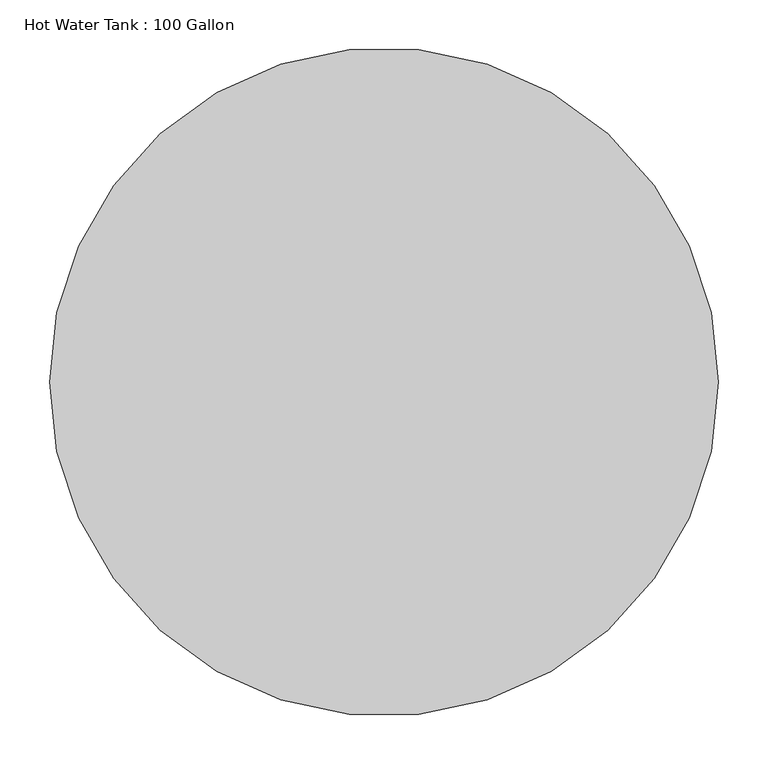
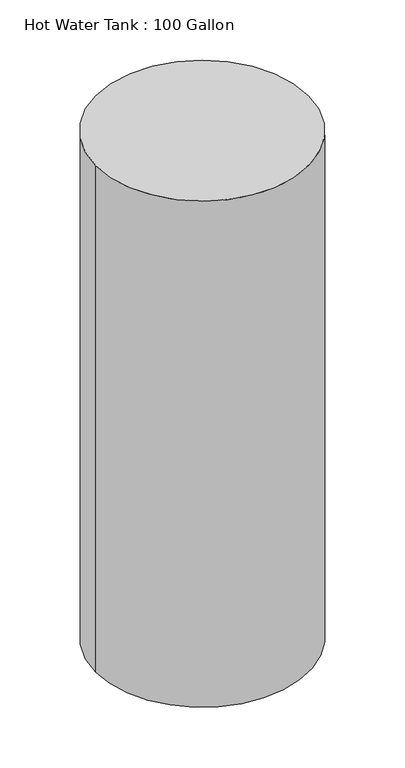
"""IFC4 building model written with IfcOpenShell, lengths in millimetres: proxy geometry, Hot Water Tank : 100 Gallon."""

from ifc_helpers import new_model, si_unit, point, origin, origin_with_axes, origin_2d, place, context, project, spatial, circle_curve, trimmed, segment, composite_curve, outline, extrude, source, transform, mapped, element, save


def hot_water_tank_100_gallon_a34384c5(model_context):
    return source(origin(), model_context, "Body", "SweptSolid", [
        extrude(outline(composite_curve([segment(trimmed(circle_curve(origin_2d(), 336.55), [point((-336.55, 0.0))], [point((336.55, 0.0))], False, "CARTESIAN"), True, "CONTINUOUS"), segment(trimmed(circle_curve(origin_2d(), 336.55), [point((336.55, 0.0))], [point((-336.55, 0.0))], False, "CARTESIAN"), True, "CONTINUOUS")], self_intersect=False)), origin_with_axes(), (0.0, 0.0, 1.0), 1695.45),
    ])


if __name__ == "__main__":
    model = new_model("IFC4")
    model_context = context("Model", 3, world=origin())
    ifc_project = project(units=[si_unit("LENGTHUNIT", "METRE", prefix="MILLI")], contexts=[model_context])
    site = spatial("IfcSite", under=ifc_project)
    building = spatial("IfcBuilding", under=site)
    placement = place(None, origin())
    hot_water_tank_100_gallon_shape = hot_water_tank_100_gallon_a34384c5(model_context)
    element("IfcBuildingElementProxy", 1, Name="Hot Water Tank : 100 Gallon", ObjectType="Hot Water Tank : 100 Gallon", at=placement, inside=building, context=model_context, shape_type="MappedRepresentation", body=[
        mapped(hot_water_tank_100_gallon_shape, transform((0.0, 0.0, 0.0), x_axis=(1.0, 0.0, 0.0), y_axis=(0.0, 1.0, 0.0), z_axis=(0.0, 0.0, 1.0))),
    ])
    save(model, "model.ifc")
